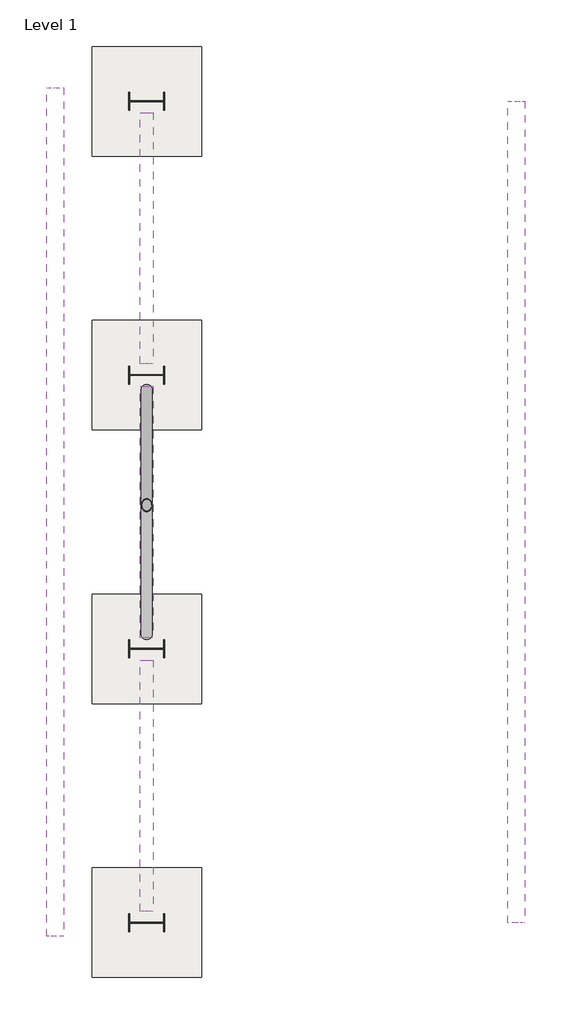
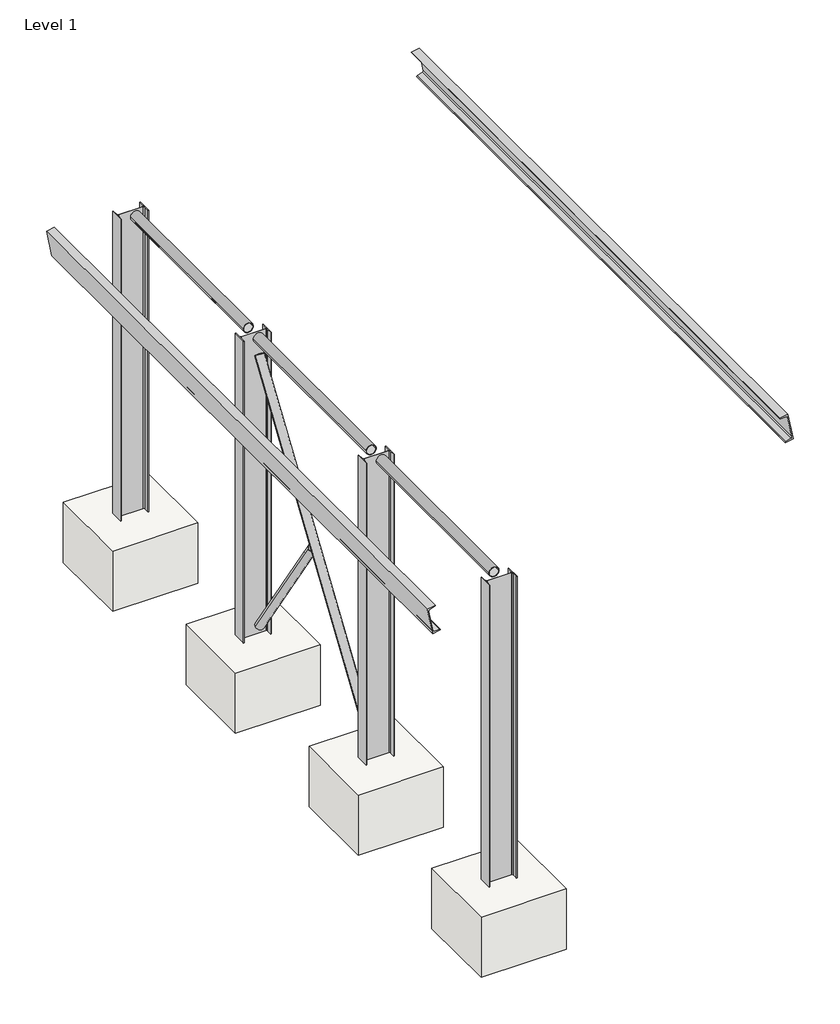
# One storey: 5 beams, 4 columns, 4 slabs, 2 members.
"""IFC4 building model written with IfcOpenShell, lengths in millimetres."""

import ifcopenshell
import ifcopenshell.guid

model = None  # the IFC model being written
_history = None  # IfcOwnerHistory: only IFC2X3 demands one
_inside = {}  # id of a spatial element -> (the spatial element, [elements in it])
_under = {}  # id of a project, library or spatial element -> (it, [spatial elements below it])
_declared = {}  # id of a project -> (the project, [libraries it declares])
_typed = {}  # id of a type object -> (the type object, [elements of that type])
_made_of = {}  # id of a material, layer set ... -> (it, [elements and type objects made of it])


def new_model(schema):
    """Start an empty IFC model of exactly this schema.

    Asked for "IFC4X3", IfcOpenShell would pick the latest addendum, in which some entities
    have other attributes; the version numbers below select the first issue.
    IFC2X3 requires an IfcOwnerHistory on every rooted entity: one is made here for all.
    """
    global model, _history
    if schema == "IFC4X3":
        model = ifcopenshell.file(schema_version=(4, 3, 0, 0))
    else:
        model = ifcopenshell.file(schema=schema)
    _inside.clear()
    _under.clear()
    _declared.clear()
    _typed.clear()
    _made_of.clear()
    _history = None
    if model.schema == "IFC2X3":
        org = make("IfcOrganization", Name="unknown")
        user = make(
            "IfcPersonAndOrganization",
            ThePerson=make("IfcPerson", FamilyName="unknown"),
            TheOrganization=org,
        )
        app = make(
            "IfcApplication",
            ApplicationDeveloper=org,
            Version="unknown",
            ApplicationFullName="unknown",
            ApplicationIdentifier="unknown",
        )
        _history = make(
            "IfcOwnerHistory",
            OwningUser=user,
            OwningApplication=app,
            ChangeAction="ADDED",
            CreationDate=0,
        )
    return model


def make(cls, **values):
    """One entity of the class cls with the attributes given. An attribute that is None is left unset."""
    return model.create_entity(
        cls, **{name: value for name, value in values.items() if value is not None}
    )


def rooted(cls, **values):
    """An entity with a GlobalId (a new one), such as an element, a storey or a relation."""
    return make(cls, GlobalId=ifcopenshell.guid.new(), OwnerHistory=_history, **values)


def si_unit(unit_type, name, prefix=None):
    """IfcSIUnit, for example si_unit("LENGTHUNIT", "METRE", prefix="MILLI")."""
    return make("IfcSIUnit", UnitType=unit_type, Prefix=prefix, Name=name)


def assignment(units):
    """IfcUnitAssignment: the units of a project."""
    return None if units is None else make("IfcUnitAssignment", Units=units)


def point(xyz):
    """IfcCartesianPoint."""
    return None if xyz is None else make("IfcCartesianPoint", Coordinates=xyz)


def direction(xyz):
    """IfcDirection."""
    return None if xyz is None else make("IfcDirection", DirectionRatios=xyz)


def frame(location, z_axis=None, x_axis=None):
    """IfcAxis2Placement3D, a coordinate frame: its origin and axes. An axis left out is left unset."""
    return make(
        "IfcAxis2Placement3D",
        Location=point(location),
        Axis=direction(z_axis),
        RefDirection=direction(x_axis),
    )


def frame_2d(location, x_axis=None):
    """IfcAxis2Placement2D, a coordinate frame in the plane: its origin and x axis."""
    return make(
        "IfcAxis2Placement2D", Location=point(location), RefDirection=direction(x_axis)
    )


def origin():
    """The frame at (0, 0, 0) with its axes left unset."""
    return frame((0.0, 0.0, 0.0))


def origin_with_axes():
    """The frame at (0, 0, 0) with the z axis (0, 0, 1) and the x axis (1, 0, 0) written out."""
    return frame((0.0, 0.0, 0.0), z_axis=(0.0, 0.0, 1.0), x_axis=(1.0, 0.0, 0.0))


def origin_2d():
    """The frame at (0, 0) in the plane with its x axis left unset."""
    return frame_2d((0.0, 0.0))


def place(relative_to, where):
    """IfcLocalPlacement: puts the frame where relative to a parent placement (None: the world)."""
    return make(
        "IfcLocalPlacement", PlacementRelTo=relative_to, RelativePlacement=where
    )


def context(
    kind, dimensions, precision=None, world=None, true_north=None, identifier=None
):
    """IfcGeometricRepresentationContext, for example the 3D "Model" context."""
    return make(
        "IfcGeometricRepresentationContext",
        ContextIdentifier=identifier,
        ContextType=kind,
        CoordinateSpaceDimension=dimensions,
        Precision=precision,
        WorldCoordinateSystem=world,
        TrueNorth=true_north,
    )


def project(units=None, contexts=None):
    """IfcProject with its units and contexts."""
    return rooted(
        "IfcProject",
        Name="project",
        RepresentationContexts=contexts,
        UnitsInContext=assignment(units),
    )


def spatial(cls, under=None, at=None, **own):
    """A site, building, storey or space (cls), placed at a placement, below another one or the project."""
    s = rooted(cls, ObjectPlacement=at, **own)
    if under is not None:
        _under.setdefault(under.id(), (under, []))[1].append(s)
    return s


def polyline(points):
    """IfcPolyline through the points."""
    return make("IfcPolyline", Points=[point(p) for p in points])


def circle_curve(where, radius):
    """IfcCircle in the frame where."""
    return make("IfcCircle", Position=where, Radius=radius)


def trimmed(basis, trim1, trim2, sense, master):
    """IfcTrimmedCurve: the piece of a basis curve between two trims."""
    return make(
        "IfcTrimmedCurve",
        BasisCurve=basis,
        Trim1=trim1,
        Trim2=trim2,
        SenseAgreement=sense,
        MasterRepresentation=master,
    )


def segment(curve, same_sense, transition):
    """IfcCompositeCurveSegment."""
    return make(
        "IfcCompositeCurveSegment",
        Transition=transition,
        SameSense=same_sense,
        ParentCurve=curve,
    )


def composite_curve(segments, self_intersect=None):
    """IfcCompositeCurve: segments joined end to end."""
    return make("IfcCompositeCurve", Segments=segments, SelfIntersect=self_intersect)


def outline(outer, holes=None, kind="AREA"):
    """IfcArbitraryClosedProfileDef: a profile drawn as a closed curve; with holes, ...WithVoids."""
    if holes is None:
        return make("IfcArbitraryClosedProfileDef", ProfileType=kind, OuterCurve=outer)
    return make(
        "IfcArbitraryProfileDefWithVoids",
        ProfileType=kind,
        OuterCurve=outer,
        InnerCurves=holes,
    )


def extrude(swept, where, along, depth):
    """IfcExtrudedAreaSolid: the profile swept, set in the frame where, extruded along a direction by depth."""
    return make(
        "IfcExtrudedAreaSolid",
        SweptArea=swept,
        Position=where,
        ExtrudedDirection=direction(along),
        Depth=depth,
    )


def shape(context_of_items, identifier, shape_type, items):
    """IfcShapeRepresentation: the items that make up one representation, for example the "Body"."""
    return make(
        "IfcShapeRepresentation",
        ContextOfItems=context_of_items,
        RepresentationIdentifier=identifier,
        RepresentationType=shape_type,
        Items=items,
    )


def source(mapping_origin, context_of_items, identifier, shape_type, items):
    """IfcRepresentationMap: a shape defined once, which mapped items show again and again."""
    return make(
        "IfcRepresentationMap",
        MappingOrigin=mapping_origin,
        MappedRepresentation=shape(context_of_items, identifier, shape_type, items),
    )


def transform(
    local_origin,
    x_axis=None,
    y_axis=None,
    z_axis=None,
    scale=None,
    scale2=None,
    scale3=None,
    uniform=True,
):
    """IfcCartesianTransformationOperator3D, or its non-uniform kind. x_axis, y_axis, z_axis: its Axis1, 2, 3."""
    if uniform:
        return make(
            "IfcCartesianTransformationOperator3D",
            Axis1=direction(x_axis),
            Axis2=direction(y_axis),
            LocalOrigin=point(local_origin),
            Scale=scale,
            Axis3=direction(z_axis),
        )
    return make(
        "IfcCartesianTransformationOperator3DnonUniform",
        Axis1=direction(x_axis),
        Axis2=direction(y_axis),
        LocalOrigin=point(local_origin),
        Scale=scale,
        Axis3=direction(z_axis),
        Scale2=scale2,
        Scale3=scale3,
    )


def mapped(mapping_source, mapping_target):
    """IfcMappedItem: shows the shape of a source again, moved by a transform."""
    return make(
        "IfcMappedItem", MappingSource=mapping_source, MappingTarget=mapping_target
    )


def made_of(thing, what):
    """Note that an element or type object is made of a material, layer set ...; save() writes the relation."""
    if what is not None:
        _made_of.setdefault(what.id(), (what, []))[1].append(thing)
    return thing


def element(
    cls,
    number,
    at=None,
    inside=None,
    cuts=None,
    type_object=None,
    material=None,
    context=None,
    identifier="Body",
    shape_type=None,
    held_by="IfcProductDefinitionShape",
    body=None,
    shapes=None,
    **own,
):
    """One element of the class cls, such as IfcWall. Its Tag is "e" and its number.

    at: its placement. inside: the storey or other place that contains it. cuts: it is an
    opening in that element (IfcRelVoidsElement). A single representation is given by context,
    identifier, shape_type and body (its items); several are given by shapes. held_by: the class
    of the entity that holds the representations. save() writes the other relations.
    """
    e = rooted(cls, Tag="e%d" % number, ObjectPlacement=at, **own)
    if body is not None:
        shapes = [shape(context, identifier, shape_type, body)]
    if shapes is not None:
        e.Representation = make(held_by, Representations=shapes)
    if inside is not None:
        _inside.setdefault(inside.id(), (inside, []))[1].append(e)
    if cuts is not None:
        rooted(
            "IfcRelVoidsElement", RelatingBuildingElement=cuts, RelatedOpeningElement=e
        )
    if type_object is not None:
        _typed.setdefault(type_object.id(), (type_object, []))[1].append(e)
    return made_of(e, material)


def aggregate(whole, parts):
    """IfcRelAggregates: a whole, such as a stair, and the parts it consists of."""
    return rooted("IfcRelAggregates", RelatingObject=whole, RelatedObjects=parts)


def save(model, path):
    """Write the relations noted so far, then the file.

    IfcRelAggregates (storeys below a building ...), IfcRelContainedInSpatialStructure (elements
    in a storey), IfcRelDefinesByType, IfcRelAssociatesMaterial and IfcRelDeclares: one each for
    every whole, place, type object, material and project.
    """
    for whole, parts in _under.values():
        aggregate(whole, parts)
    for where, things in _inside.values():
        rooted(
            "IfcRelContainedInSpatialStructure",
            RelatedElements=things,
            RelatingStructure=where,
        )
    for kind, things in _typed.values():
        rooted("IfcRelDefinesByType", RelatedObjects=things, RelatingType=kind)
    for what, things in _made_of.values():
        rooted("IfcRelAssociatesMaterial", RelatedObjects=things, RelatingMaterial=what)
    for by, libraries in _declared.values():
        rooted("IfcRelDeclares", RelatingContext=by, RelatedDefinitions=libraries)
    model.write(path)


def c_shapes_c8x11_5_c3478e97(model_context):
    return source(origin(), model_context, "Body", "SweptSolid", [
        extrude(outline(composite_curve([segment(polyline([(14.5288, 101.6), (14.5288, -101.6), (-42.8752, -101.6), (-42.8752, -100.2069137)]), True, "CONTINUOUS"), segment(trimmed(circle_curve(frame_2d((-37.9222, -100.2069137)), 4.953), [point((-42.8752, -100.2069137))], [point((-38.7362702, -95.3212716))], False, "CARTESIAN"), True, "CONTINUOUS"), segment(polyline([(-38.7362702, -95.3212716), (0.6629403, -88.7563777)]), True, "CONTINUOUS"), segment(trimmed(circle_curve(frame_2d((-0.9652, -78.9850935)), 9.906), [point((0.6629403, -88.7563777))], [point((8.9408, -78.9850935))], True, "CARTESIAN"), True, "CONTINUOUS"), segment(polyline([(8.9408, -78.9850935), (8.9408, 78.9850935)]), True, "CONTINUOUS"), segment(trimmed(circle_curve(frame_2d((-0.9652, 78.9850935)), 9.906), [point((8.9408, 78.9850935))], [point((0.6629403, 88.7563777))], True, "CARTESIAN"), True, "CONTINUOUS"), segment(polyline([(0.6629403, 88.7563777), (-38.7362702, 95.3212716)]), True, "CONTINUOUS"), segment(trimmed(circle_curve(frame_2d((-37.9222, 100.2069137)), 4.953), [point((-38.7362702, 95.3212716))], [point((-42.8752, 100.2069137))], False, "CARTESIAN"), True, "CONTINUOUS"), segment(polyline([(-42.8752, 100.2069137), (-42.8752, 101.6), (14.5288, 101.6)]), True, "CONTINUOUS")], self_intersect=False)), frame((-2286.0, 0.0, 0.0), z_axis=(1.0, 0.0, 0.0), x_axis=(0.0, 1.0, 0.0)), (0.0, 0.0, 1.0), 4572.0),
    ])


def c_shapes_c8x11_5_3d849720(model_context):
    return source(origin(), model_context, "Body", "SweptSolid", [
        extrude(outline(composite_curve([segment(polyline([(14.5288, 101.6), (14.5288, -101.6), (-42.8752, -101.6), (-42.8752, -100.2069137)]), True, "CONTINUOUS"), segment(trimmed(circle_curve(frame_2d((-37.9222, -100.2069137)), 4.953), [point((-42.8752, -100.2069137))], [point((-38.7362702, -95.3212716))], False, "CARTESIAN"), True, "CONTINUOUS"), segment(polyline([(-38.7362702, -95.3212716), (0.6629403, -88.7563777)]), True, "CONTINUOUS"), segment(trimmed(circle_curve(frame_2d((-0.9652, -78.9850935)), 9.906), [point((0.6629403, -88.7563777))], [point((8.9408, -78.9850935))], True, "CARTESIAN"), True, "CONTINUOUS"), segment(polyline([(8.9408, -78.9850935), (8.9408, 78.9850935)]), True, "CONTINUOUS"), segment(trimmed(circle_curve(frame_2d((-0.9652, 78.9850935)), 9.906), [point((8.9408, 78.9850935))], [point((0.6629403, 88.7563777))], True, "CARTESIAN"), True, "CONTINUOUS"), segment(polyline([(0.6629403, 88.7563777), (-38.7362702, 95.3212716)]), True, "CONTINUOUS"), segment(trimmed(circle_curve(frame_2d((-37.9222, 100.2069137)), 4.953), [point((-38.7362702, 95.3212716))], [point((-42.8752, 100.2069137))], False, "CARTESIAN"), True, "CONTINUOUS"), segment(polyline([(-42.8752, 100.2069137), (-42.8752, 101.6), (14.5288, 101.6)]), True, "CONTINUOUS")], self_intersect=False)), frame((-2361.438, 0.0, 0.0), z_axis=(1.0, 0.0, 0.0), x_axis=(0.0, 1.0, 0.0)), (0.0, 0.0, 1.0), 4722.876),
    ])


def pipe_pipe2_1_2std_41805082(model_context):
    return source(origin(), model_context, "Body", "SweptSolid", [
        extrude(outline(composite_curve([segment(trimmed(circle_curve(origin_2d(), 36.5125), [point((-36.5125, 0.0))], [point((36.5125, 0.0))], False, "CARTESIAN"), True, "CONTINUOUS"), segment(trimmed(circle_curve(origin_2d(), 36.5125), [point((36.5125, 0.0))], [point((-36.5125, 0.0))], False, "CARTESIAN"), True, "CONTINUOUS")], self_intersect=False), holes=[composite_curve([segment(trimmed(circle_curve(origin_2d(), 31.3563), [point((31.3563, 0.0))], [point((-31.3563, 0.0))], True, "CARTESIAN"), True, "CONTINUOUS"), segment(trimmed(circle_curve(origin_2d(), 31.3563), [point((-31.3563, 0.0))], [point((31.3563, 0.0))], True, "CARTESIAN"), True, "CONTINUOUS")], self_intersect=False)]), frame((-699.262, 0.0, 0.0), z_axis=(1.0, 0.0, 0.0), x_axis=(0.0, 1.0, 0.0)), (0.0, 0.0, 1.0), 1398.524),
    ])


def w_shapes_column_w8x10_eb10abce(model_context):
    return source(origin(), model_context, "Body", "SweptSolid", [
        extrude(outline(composite_curve([segment(polyline([(50.038, 100.203), (50.038, 94.996), (9.779, 94.996)]), True, "CONTINUOUS"), segment(trimmed(circle_curve(frame_2d((9.779, 87.376)), 7.62), [point((9.779, 94.996))], [point((2.159, 87.376))], True, "CARTESIAN"), True, "CONTINUOUS"), segment(polyline([(2.159, 87.376), (2.159, -87.376)]), True, "CONTINUOUS"), segment(trimmed(circle_curve(frame_2d((9.779, -87.376)), 7.62), [point((2.159, -87.376))], [point((9.779, -94.996))], True, "CARTESIAN"), True, "CONTINUOUS"), segment(polyline([(9.779, -94.996), (50.038, -94.996), (50.038, -100.203), (-50.038, -100.203), (-50.038, -94.996), (-9.779, -94.996)]), True, "CONTINUOUS"), segment(trimmed(circle_curve(frame_2d((-9.779, -87.376)), 7.62), [point((-9.779, -94.996))], [point((-2.159, -87.376))], True, "CARTESIAN"), True, "CONTINUOUS"), segment(polyline([(-2.159, -87.376), (-2.159, 87.376)]), True, "CONTINUOUS"), segment(trimmed(circle_curve(frame_2d((-9.779, 87.376)), 7.62), [point((-2.159, 87.376))], [point((-9.779, 94.996))], True, "CARTESIAN"), True, "CONTINUOUS"), segment(polyline([(-9.779, 94.996), (-50.038, 94.996), (-50.038, 100.203), (50.038, 100.203)]), True, "CONTINUOUS")], self_intersect=False)), origin_with_axes(), (0.0, 0.0, 1.0), 2286.0),
    ])


def pipe_pipe2std_da692d6d(model_context):
    return source(origin(), model_context, "Body", "SweptSolid", [
        extrude(outline(composite_curve([segment(trimmed(circle_curve(origin_2d(), 30.1625), [point((-30.1625, 0.0))], [point((30.1625, 0.0))], False, "CARTESIAN"), True, "CONTINUOUS"), segment(trimmed(circle_curve(origin_2d(), 30.1625), [point((30.1625, 0.0))], [point((-30.1625, 0.0))], False, "CARTESIAN"), True, "CONTINUOUS")], self_intersect=False), holes=[composite_curve([segment(trimmed(circle_curve(origin_2d(), 26.2509), [point((26.2509, 0.0))], [point((-26.2509, 0.0))], True, "CARTESIAN"), True, "CONTINUOUS"), segment(trimmed(circle_curve(origin_2d(), 26.2509), [point((-26.2509, 0.0))], [point((26.2509, 0.0))], True, "CARTESIAN"), True, "CONTINUOUS")], self_intersect=False)]), frame((-1234.6127486, 0.0, 0.0), z_axis=(1.0, 0.0, 0.0), x_axis=(0.0, 1.0, 0.0)), (0.0, 0.0, 1.0), 2469.2254972),
    ])


def pipe_pipe2std_f3993157(model_context):
    return source(origin(), model_context, "Body", "SweptSolid", [
        extrude(outline(composite_curve([segment(trimmed(circle_curve(origin_2d(), 30.1625), [point((-30.1625, 0.0))], [point((30.1625, 0.0))], False, "CARTESIAN"), True, "CONTINUOUS"), segment(trimmed(circle_curve(origin_2d(), 30.1625), [point((30.1625, 0.0))], [point((-30.1625, 0.0))], False, "CARTESIAN"), True, "CONTINUOUS")], self_intersect=False), holes=[composite_curve([segment(trimmed(circle_curve(origin_2d(), 26.2509), [point((26.2509, 0.0))], [point((-26.2509, 0.0))], True, "CARTESIAN"), True, "CONTINUOUS"), segment(trimmed(circle_curve(origin_2d(), 26.2509), [point((-26.2509, 0.0))], [point((26.2509, 0.0))], True, "CARTESIAN"), True, "CONTINUOUS")], self_intersect=False)]), frame((-637.962518, 0.0, 0.0), z_axis=(1.0, 0.0, 0.0), x_axis=(0.0, 1.0, 0.0)), (0.0, 0.0, 1.0), 1185.7177486),
    ])


def slab_7414108b(model_context):
    return source(origin(), model_context, "Body", "SweptSolid", [
        extrude(outline(polyline([(304.8, 304.8), (304.8, -304.8), (-304.8, -304.8), (-304.8, 304.8), (304.8, 304.8)])), frame((0.0, 0.0, -457.2), z_axis=(0.0, 0.0, 1.0), x_axis=(1.0, 0.0, 0.0)), (0.0, 0.0, 1.0), 457.2),
    ])


model = new_model("IFC4")

# Units and contexts
model_context = context("Model", 3, world=origin())
ifc_project = project(units=[si_unit("LENGTHUNIT", "METRE", prefix="MILLI")], contexts=[model_context])

# Site, building, storey
site = spatial("IfcSite", under=ifc_project)
building = spatial("IfcBuilding", under=site)
storey = spatial("IfcBuildingStorey", under=building, Name="Level 1", Elevation=0.0)

# Beams
placement = place(None, origin())
c_shapes_c8x11_5_shape = c_shapes_c8x11_5_c3478e97(model_context)
element("IfcBeam", 1, ObjectType="C Shapes : C8X11.5", at=placement, inside=storey, context=model_context, shape_type="MappedRepresentation", body=[
    mapped(c_shapes_c8x11_5_shape, transform((2073.8100874, 2286.0, 2689.1046734), x_axis=(0.0, -1.0, 0.0), y_axis=(0.9816274647128967, 0.0, 0.19080754838666833), z_axis=(-0.19080754838666833, 0.0, 0.9816274647128967))),
])
c_shapes_c8x11_5_2_shape = c_shapes_c8x11_5_3d849720(model_context)
element("IfcBeam", 2, ObjectType="C Shapes : C8X11.5", at=placement, inside=storey, context=model_context, shape_type="MappedRepresentation", body=[
    mapped(c_shapes_c8x11_5_2_shape, transform((-524.7270691, 2286.0, 2184.0041928), x_axis=(0.0, 1.0, 0.0), y_axis=(-0.9816274647128967, 0.0, -0.19080754838666833), z_axis=(-0.19080754838666833, 0.0, 0.9816274647128967))),
])
pipe_pipe2_1_2std_shape = pipe_pipe2_1_2std_41805082(model_context)
element("IfcBeam", 3, ObjectType="Pipe : Pipe2-1/2STD", at=placement, inside=storey, context=model_context, shape_type="MappedRepresentation", body=[
    mapped(pipe_pipe2_1_2std_shape, transform((0.0, 762.0, 2286.0), x_axis=(0.0, 1.0, 0.0), y_axis=(-1.0, 0.0, 0.0), z_axis=(0.0, 0.0, 1.0))),
])
element("IfcBeam", 4, ObjectType="Pipe : Pipe2-1/2STD", at=placement, inside=storey, context=model_context, shape_type="MappedRepresentation", body=[
    mapped(pipe_pipe2_1_2std_shape, transform((0.0, 2286.0, 2286.0), x_axis=(0.0, 1.0, 0.0), y_axis=(-1.0, 0.0, 0.0), z_axis=(0.0, 0.0, 1.0))),
])
element("IfcBeam", 5, ObjectType="Pipe : Pipe2-1/2STD", at=placement, inside=storey, context=model_context, shape_type="MappedRepresentation", body=[
    mapped(pipe_pipe2_1_2std_shape, transform((0.0, 3810.0, 2286.0), x_axis=(0.0, 1.0, 0.0), y_axis=(-1.0, 0.0, 0.0), z_axis=(0.0, 0.0, 1.0))),
])

# Columns
w_shapes_column_w8x10_shape = w_shapes_column_w8x10_eb10abce(model_context)
element("IfcColumn", 6, ObjectType="W Shapes-Column : W8X10", at=placement, inside=storey, context=model_context, shape_type="MappedRepresentation", body=[
    mapped(w_shapes_column_w8x10_shape, transform((0.0, 0.0, 0.0), x_axis=(0.0, 1.0, 0.0), y_axis=(-1.0, 0.0, 0.0), z_axis=(0.0, 0.0, 1.0))),
])
element("IfcColumn", 7, ObjectType="W Shapes-Column : W8X10", at=placement, inside=storey, context=model_context, shape_type="MappedRepresentation", body=[
    mapped(w_shapes_column_w8x10_shape, transform((0.0, 1524.0, 0.0), x_axis=(0.0, 1.0, 0.0), y_axis=(-1.0, 0.0, 0.0), z_axis=(0.0, 0.0, 1.0))),
])
element("IfcColumn", 8, ObjectType="W Shapes-Column : W8X10", at=placement, inside=storey, context=model_context, shape_type="MappedRepresentation", body=[
    mapped(w_shapes_column_w8x10_shape, transform((0.0, 3048.0, 0.0), x_axis=(0.0, 1.0, 0.0), y_axis=(-1.0, 0.0, 0.0), z_axis=(0.0, 0.0, 1.0))),
])
element("IfcColumn", 9, ObjectType="W Shapes-Column : W8X10", at=placement, inside=storey, context=model_context, shape_type="MappedRepresentation", body=[
    mapped(w_shapes_column_w8x10_shape, transform((0.0, 4572.0, 0.0), x_axis=(0.0, 1.0, 0.0), y_axis=(-1.0, 0.0, 0.0), z_axis=(0.0, 0.0, 1.0))),
])

# Members
pipe_pipe2std_shape = pipe_pipe2std_da692d6d(model_context)
element("IfcMember", 10, ObjectType="Pipe : Pipe2STD", at=placement, inside=storey, context=model_context, shape_type="MappedRepresentation", body=[
    mapped(pipe_pipe2std_shape, transform((0.0, 2286.0, 1143.0), x_axis=(0.0, -0.554700196225229, -0.8320502943378437), y_axis=(1.0, 0.0, 0.0), z_axis=(0.0, -0.8320502943378437, 0.554700196225229))),
])
pipe_pipe2std_2_shape = pipe_pipe2std_f3993157(model_context)
element("IfcMember", 11, ObjectType="Pipe : Pipe2STD", at=placement, inside=storey, context=model_context, shape_type="MappedRepresentation", body=[
    mapped(pipe_pipe2std_2_shape, transform((0.0, 2667.0, 571.5), x_axis=(0.0, 0.5547001962252291, -0.8320502943378437), y_axis=(-1.0, 0.0, 0.0), z_axis=(0.0, 0.8320502943378437, 0.5547001962252291))),
])

# Slabs
slab_shape = slab_7414108b(model_context)
element("IfcSlab", 12, ObjectType="Footing-Rectangular : 24\" x 24\" x 18\"", at=placement, inside=storey, context=model_context, shape_type="MappedRepresentation", body=[
    mapped(slab_shape, transform((0.0, 0.0, 0.0), x_axis=(1.0, 0.0, 0.0), y_axis=(0.0, 1.0, 0.0), z_axis=(0.0, 0.0, 1.0))),
])
element("IfcSlab", 13, ObjectType="Footing-Rectangular : 24\" x 24\" x 18\"", at=placement, inside=storey, context=model_context, shape_type="MappedRepresentation", body=[
    mapped(slab_shape, transform((0.0, 1524.0, 0.0), x_axis=(1.0, 0.0, 0.0), y_axis=(0.0, 1.0, 0.0), z_axis=(0.0, 0.0, 1.0))),
])
element("IfcSlab", 14, ObjectType="Footing-Rectangular : 24\" x 24\" x 18\"", at=placement, inside=storey, context=model_context, shape_type="MappedRepresentation", body=[
    mapped(slab_shape, transform((0.0, 3048.0, 0.0), x_axis=(1.0, 0.0, 0.0), y_axis=(0.0, 1.0, 0.0), z_axis=(0.0, 0.0, 1.0))),
])
element("IfcSlab", 15, ObjectType="Footing-Rectangular : 24\" x 24\" x 18\"", at=placement, inside=storey, context=model_context, shape_type="MappedRepresentation", body=[
    mapped(slab_shape, transform((0.0, 4572.0, 0.0), x_axis=(1.0, 0.0, 0.0), y_axis=(0.0, 1.0, 0.0), z_axis=(0.0, 0.0, 1.0))),
])

save(model, "model.ifc")
